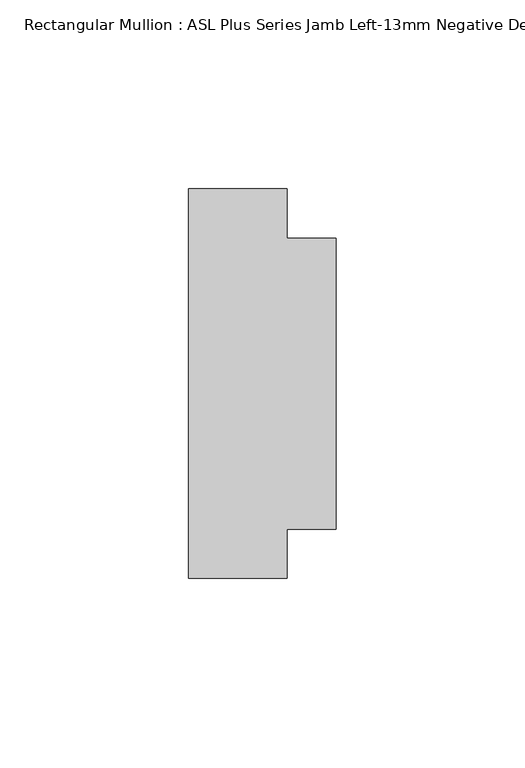
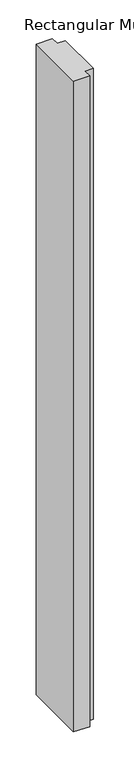
"""IFC4 building model written with IfcOpenShell, lengths in millimetres: member geometry, Rectangular Mullion : ASL Plus Series Jamb Left-13mm Negative Detail-64mm Stud."""

from ifc_helpers import new_model, si_unit, frame, origin, place, context, project, spatial, polyline, outline, extrude, source, transform, mapped, element, save


def rectangular_mullion_asl_plus_series_jamb_left_13mm_negative_b2ab44a7(model_context):
    return source(origin(), model_context, "Body", "SweptSolid", [
        extrude(outline(polyline([(-39.0, 51.5), (-13.0, 51.5), (-13.0, 38.5), (0.0, 38.5), (0.0, -38.5), (-13.0, -38.5), (-13.0, -51.5), (-39.0, -51.5), (-39.0, 51.5)])), frame((0.0, 0.0, -1100.0), z_axis=(0.0, 0.0, 1.0), x_axis=(1.0, 0.0, 0.0)), (0.0, 0.0, 1.0), 1100.0),
    ])


if __name__ == "__main__":
    model = new_model("IFC4")
    model_context = context("Model", 3, world=origin())
    ifc_project = project(units=[si_unit("LENGTHUNIT", "METRE", prefix="MILLI")], contexts=[model_context])
    site = spatial("IfcSite", under=ifc_project)
    building = spatial("IfcBuilding", under=site)
    placement = place(None, origin())
    rectangular_mullion_asl_plus_series_jamb_left_13mm_negative_shape = rectangular_mullion_asl_plus_series_jamb_left_13mm_negative_b2ab44a7(model_context)
    element("IfcMember", 1, ObjectType="Rectangular Mullion : ASL Plus Series Jamb Left-13mm Negative Detail-64mm Stud", at=placement, inside=building, context=model_context, shape_type="MappedRepresentation", body=[
        mapped(rectangular_mullion_asl_plus_series_jamb_left_13mm_negative_shape, transform((0.0, 0.0, 0.0), x_axis=(1.0, 0.0, 0.0), y_axis=(0.0, 1.0, 0.0), z_axis=(0.0, 0.0, 1.0))),
    ])
    save(model, "model.ifc")
